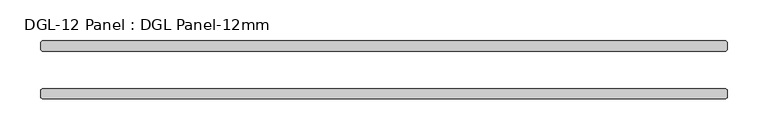
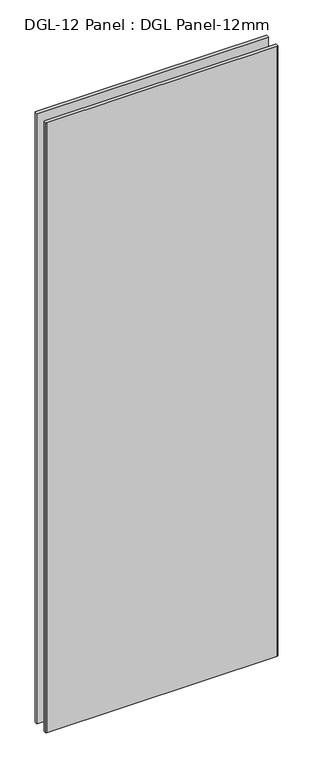
"""IFC4 building model written with IfcOpenShell, lengths in millimetres: plate geometry, DGL-12 Panel : DGL Panel-12mm."""

from ifc_helpers import new_model, si_unit, origin, origin_with_axes, place, context, project, spatial, polyline, outline, extrude, source, transform, mapped, element, save


def dgl_12_panel_dgl_panel_12mm_c480d808(model_context):
    return source(origin(), model_context, "Body", "SweptSolid", [
        extrude(outline(polyline([(419.3166134, -22.9195313), (420.9041134, -24.5070313), (420.9041134, -34.0320313), (419.3166134, -35.6195313), (-419.3166134, -35.6195313), (-420.9041134, -34.0320313), (-420.9041134, -24.5070313), (-419.3166134, -22.9195313), (419.3166134, -22.9195313)])), origin_with_axes(), (0.0, 0.0, 1.0), 2339.4622278),
        extrude(outline(polyline([(419.3166134, 35.6195312), (420.9041134, 34.0320312), (420.9041134, 24.5070312), (419.3166134, 22.9195312), (-419.3166134, 22.9195312), (-420.9041134, 24.5070312), (-420.9041134, 34.0320312), (-419.3166134, 35.6195312), (419.3166134, 35.6195312)])), origin_with_axes(), (0.0, 0.0, 1.0), 2339.4622278),
    ])


if __name__ == "__main__":
    model = new_model("IFC4")
    model_context = context("Model", 3, world=origin())
    ifc_project = project(units=[si_unit("LENGTHUNIT", "METRE", prefix="MILLI")], contexts=[model_context])
    site = spatial("IfcSite", under=ifc_project)
    building = spatial("IfcBuilding", under=site)
    placement = place(None, origin())
    dgl_12_panel_dgl_panel_12mm_shape = dgl_12_panel_dgl_panel_12mm_c480d808(model_context)
    element("IfcPlate", 1, ObjectType="DGL-12 Panel : DGL Panel-12mm", at=placement, inside=building, context=model_context, shape_type="MappedRepresentation", body=[
        mapped(dgl_12_panel_dgl_panel_12mm_shape, transform((0.0, 0.0, 0.0), x_axis=(1.0, 0.0, 0.0), y_axis=(0.0, 1.0, 0.0), z_axis=(0.0, 0.0, 1.0))),
    ])
    save(model, "model.ifc")
